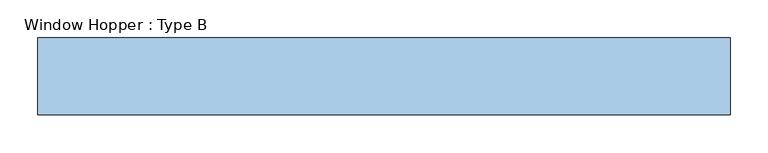
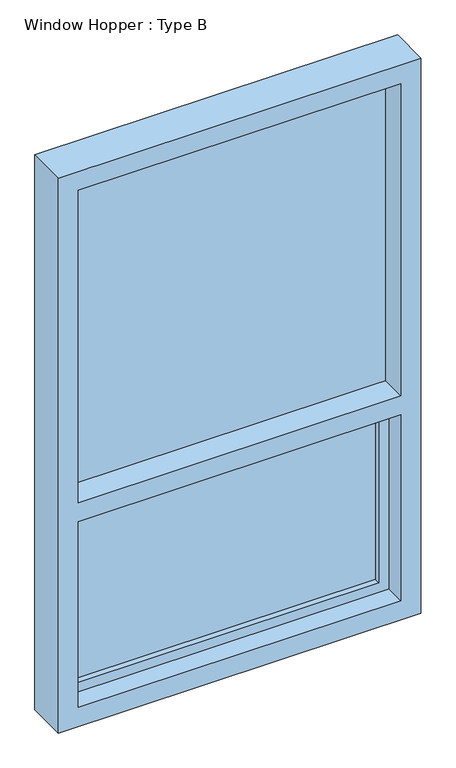
"""IFC4 building model written with IfcOpenShell, lengths in millimetres: window geometry, Window Hopper : Type B."""

from ifc_helpers import new_model, si_unit, frame, origin, place, context, project, spatial, polyline, outline, extrude, source, transform, mapped, element, save


def window_hopper_type_b_f4818d15(model_context):
    return source(origin(), model_context, "Body", "SweptSolid", [
        extrude(outline(polyline([(406.4, 15.875), (-406.4, 15.875), (-406.4, 34.925), (406.4, 34.925), (406.4, 15.875)])), frame((0.0, 0.0, 1352.55), z_axis=(0.0, 0.0, 1.0), x_axis=(1.0, 0.0, 0.0)), (0.0, 0.0, 1.0), 831.85),
        extrude(outline(polyline([(2235.2, 457.2), (2235.2, -457.2), (755.65, -457.2), (755.65, 457.2), (2235.2, 457.2)]), holes=[polyline([(1301.75, 406.4), (806.45, 406.4), (806.45, -406.4), (1301.75, -406.4), (1301.75, 406.4)]), polyline([(2184.4, -406.4), (2184.4, 406.4), (1352.55, 406.4), (1352.55, -406.4), (2184.4, -406.4)])]), frame((0.0, -50.8, 0.0), z_axis=(0.0, 1.0, 0.0), x_axis=(0.0, 0.0, 1.0)), (0.0, 0.0, 1.0), 101.6),
        extrude(outline(polyline([(-381.0, 34.925), (381.0, 34.925), (381.0, 15.875), (-381.0, 15.875), (-381.0, 34.925)])), frame((0.0, 0.0, 831.85), z_axis=(0.0, 0.0, 1.0), x_axis=(1.0, 0.0, 0.0)), (0.0, 0.0, 1.0), 444.5),
        extrude(outline(polyline([(1301.75, 406.4), (1301.75, -406.4), (806.45, -406.4), (806.45, 406.4), (1301.75, 406.4)]), holes=[polyline([(1276.35, 381.0), (831.85, 381.0), (831.85, -381.0), (1276.35, -381.0), (1276.35, 381.0)])]), frame((0.0, 0.0, 0.0), z_axis=(0.0, 1.0, 0.0), x_axis=(0.0, 0.0, 1.0)), (0.0, 0.0, 1.0), 50.8),
    ])


if __name__ == "__main__":
    model = new_model("IFC4")
    model_context = context("Model", 3, world=origin())
    ifc_project = project(units=[si_unit("LENGTHUNIT", "METRE", prefix="MILLI")], contexts=[model_context])
    site = spatial("IfcSite", under=ifc_project)
    building = spatial("IfcBuilding", under=site)
    placement = place(None, origin())
    window_hopper_type_b_shape = window_hopper_type_b_f4818d15(model_context)
    element("IfcWindow", 1, ObjectType="Window Hopper : Type B", at=placement, inside=building, context=model_context, shape_type="MappedRepresentation", body=[
        mapped(window_hopper_type_b_shape, transform((0.0, 0.0, 0.0), x_axis=(1.0, 0.0, 0.0), y_axis=(0.0, 1.0, 0.0), z_axis=(0.0, 0.0, 1.0))),
    ])
    save(model, "model.ifc")
